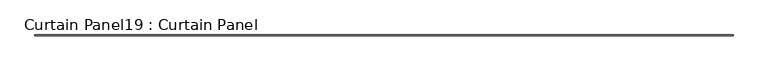
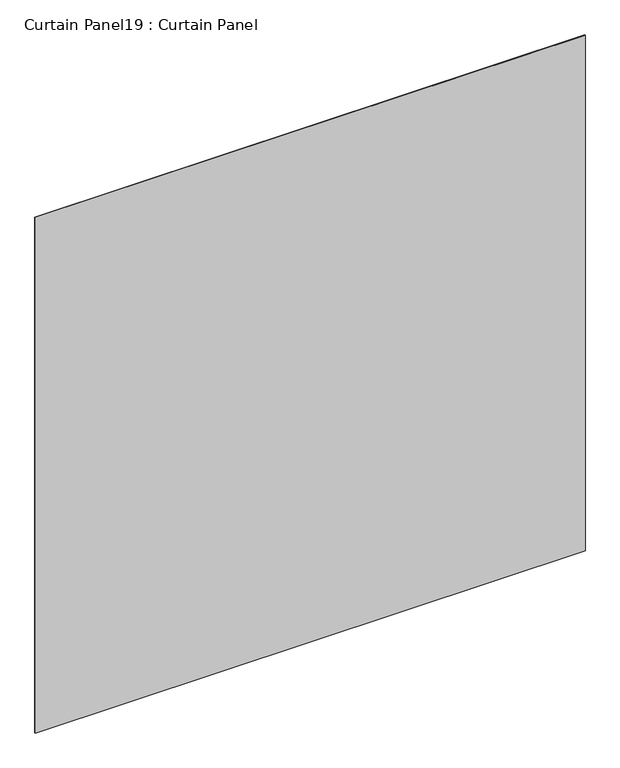
"""IFC4 building model written with IfcOpenShell, lengths in millimetres: plate geometry, Curtain Panel19 : Curtain Panel."""

from ifc_helpers import new_model, si_unit, frame, origin, place, context, project, spatial, polyline, outline, extrude, source, transform, mapped, element, save


def curtain_panel19_curtain_panel_b5338b65(model_context):
    return source(origin(), model_context, "Body", "SweptSolid", [
        extrude(outline(polyline([(573632.9091345, 2919.3589143), (567575.0110395, 2919.3589143), (567575.0110395, 2925.7089143), (573632.9091345, 2925.7089143), (573632.9091345, 2919.3589143)])), frame((0.0, 0.0, 11351.416886), z_axis=(0.0, 0.0, 1.0), x_axis=(1.0, 0.0, 0.0)), (0.0, 0.0, 1.0), 6000.75),
    ])


if __name__ == "__main__":
    model = new_model("IFC4")
    model_context = context("Model", 3, world=origin())
    ifc_project = project(units=[si_unit("LENGTHUNIT", "METRE", prefix="MILLI")], contexts=[model_context])
    site = spatial("IfcSite", under=ifc_project)
    building = spatial("IfcBuilding", under=site)
    placement = place(None, origin())
    curtain_panel19_curtain_panel_shape = curtain_panel19_curtain_panel_b5338b65(model_context)
    element("IfcPlate", 1, ObjectType="Curtain Panel19 : Curtain Panel", at=placement, inside=building, context=model_context, shape_type="MappedRepresentation", body=[
        mapped(curtain_panel19_curtain_panel_shape, transform((0.0, 0.0, 0.0), x_axis=(1.0, 0.0, 0.0), y_axis=(0.0, 1.0, 0.0), z_axis=(0.0, 0.0, 1.0))),
    ])
    save(model, "model.ifc")
